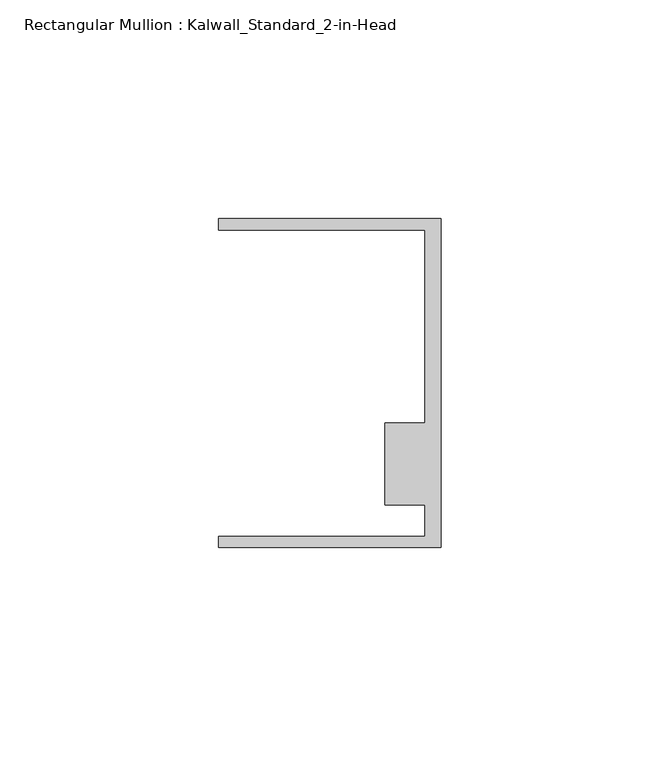
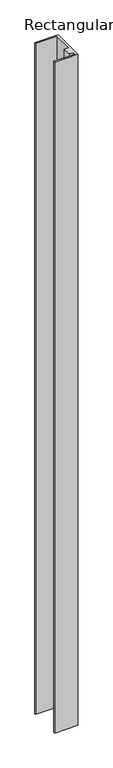
"""IFC4 building model written with IfcOpenShell, lengths in millimetres: member geometry, Rectangular Mullion : Kalwall_Standard_2-in-Head."""

from ifc_helpers import new_model, si_unit, frame, origin, place, context, project, spatial, polyline, outline, extrude, source, transform, mapped, element, save


def rectangular_mullion_kalwall_standard_2_in_head_232da6e7(model_context):
    return source(origin(), model_context, "Body", "SweptSolid", [
        extrude(outline(polyline([(0.0, -37.5776386), (-50.8, -37.5776386), (-50.8, -35.0376386), (-3.7084, -35.0376386), (-3.7084, -27.8888568), (-12.8272539, -27.8888568), (-12.8272539, -9.1879886), (-3.7084, -9.1879886), (-3.7084, 34.9623614), (-50.8, 34.9623614), (-50.8, 37.5023614), (0.0, 37.5023614), (0.0, -37.5776386)])), frame((0.0, 0.0, -1560.5492191), z_axis=(0.0, 0.0, 1.0), x_axis=(1.0, 0.0, 0.0)), (0.0, 0.0, 1.0), 1560.5492191),
    ])


if __name__ == "__main__":
    model = new_model("IFC4")
    model_context = context("Model", 3, world=origin())
    ifc_project = project(units=[si_unit("LENGTHUNIT", "METRE", prefix="MILLI")], contexts=[model_context])
    site = spatial("IfcSite", under=ifc_project)
    building = spatial("IfcBuilding", under=site)
    placement = place(None, origin())
    rectangular_mullion_kalwall_standard_2_in_head_shape = rectangular_mullion_kalwall_standard_2_in_head_232da6e7(model_context)
    element("IfcMember", 1, ObjectType="Rectangular Mullion : Kalwall_Standard_2-in-Head", at=placement, inside=building, context=model_context, shape_type="MappedRepresentation", body=[
        mapped(rectangular_mullion_kalwall_standard_2_in_head_shape, transform((0.0, 0.0, 0.0), x_axis=(1.0, 0.0, 0.0), y_axis=(0.0, 1.0, 0.0), z_axis=(0.0, 0.0, 1.0))),
    ])
    save(model, "model.ifc")
